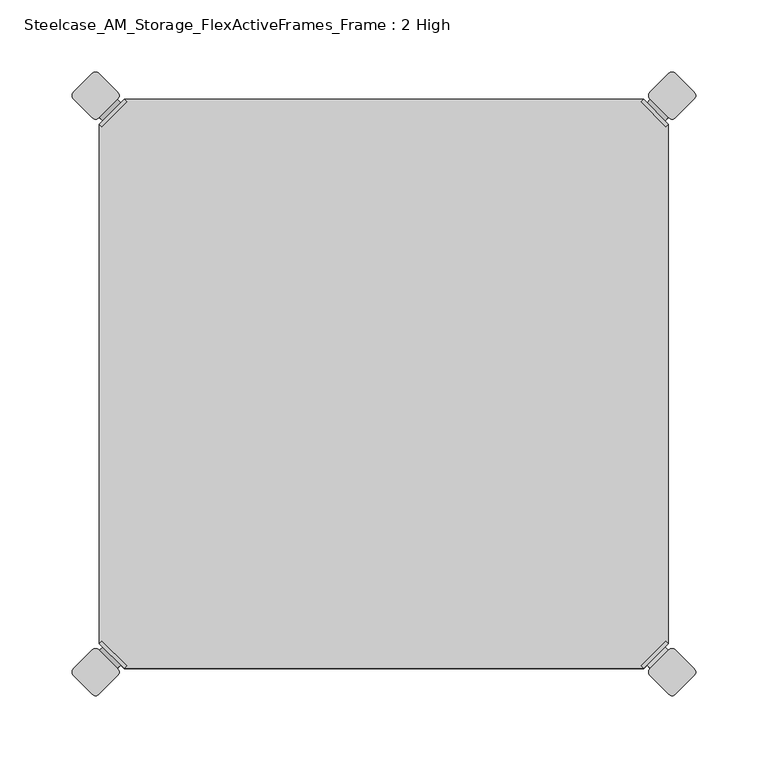
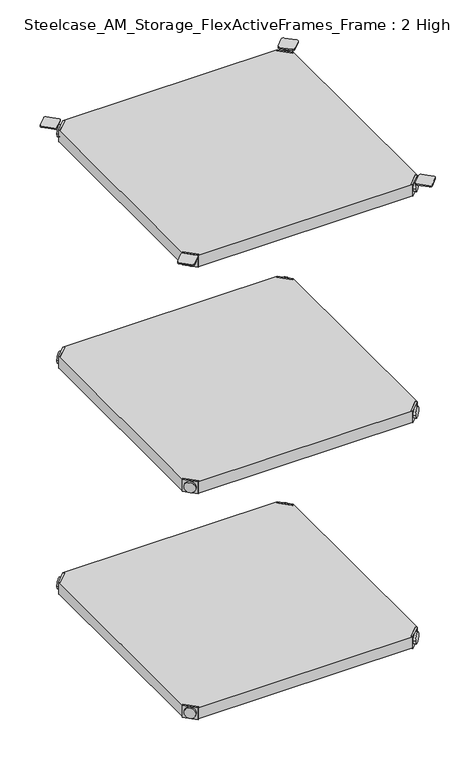
"""IFC4 building model written with IfcOpenShell, lengths in millimetres: furniture geometry, Steelcase_AM_Storage_FlexActiveFrames_Frame : 2 High."""

from ifc_helpers import new_model, si_unit, point, frame, frame_2d, origin, place, context, project, spatial, polyline, circle_curve, trimmed, segment, composite_curve, outline, extrude, source, transform, mapped, element, save
from ifc_brep_helpers import plane_surface, cylinder_surface, advanced_brep


def steelcase_am_storage_flexactiveframes_frame_2_high_570fc441(model_context):
    return source(origin(), model_context, "Body", "SolidModel", [
        advanced_brep(
        [(2.54, -380.2870969, 520.2936), (19.7629031, -397.51, 520.2936), (21.5589544, -395.7139488, 520.2936), (4.3360512, -378.4910456, 520.2936), (2.54, -380.2870969, 498.9576), (19.7629031, -397.51, 498.9576), (4.8652723, -382.6123691, 510.1336), (17.4376309, -395.1847277, 510.1336), (30.2920522, -352.5350447, 499.9736), (4.3360512, -378.4910456, 499.9736), (21.5589544, -395.7139488, 499.9736), (47.5149553, -369.7579478, 499.9736), (30.2920522, -352.5350447, 498.9576), (47.5149553, -369.7579478, 498.9576), (15.1227513, -397.4996073, 510.1336), (2.5503927, -384.9272487, 510.1336)],
        [
            (0, 1),
            (1, 2),
            (2, 3),
            (3, 0),
            (0, 4),
            (4, 5),
            (5, 1),
            (6, 7, circle_curve(frame((11.1514516, -388.8985484, 510.1336), z_axis=(0.7071067811865446, 0.7071067811865505, 0.0), x_axis=(-0.7071067811865505, 0.7071067811865446, 0.0)), 8.89)),
            (7, 6, circle_curve(frame((11.1514516, -388.8985484, 510.1336), z_axis=(0.7071067811865446, 0.7071067811865505, 0.0), x_axis=(-0.7071067811865505, 0.7071067811865446, 0.0)), 8.89)),
            (8, 9),
            (9, 10),
            (10, 11),
            (11, 8, circle_curve(frame((38.9035037, -361.1464963, 499.9736), z_axis=(0.0, 0.0, 1.0), x_axis=(1.0, 0.0, 0.0)), 12.1784316)),
            (12, 13, circle_curve(frame((38.9035037, -361.1464963, 498.9576), z_axis=(0.0, 0.0, -1.0), x_axis=(1.0, 0.0, 0.0)), 12.1784316)),
            (13, 5),
            (4, 12),
            (14, 15, circle_curve(frame((8.836572, -391.213428, 510.1336), z_axis=(-0.7071067811865446, -0.7071067811865505, 0.0), x_axis=(-0.7071067811865505, 0.7071067811865446, 0.0)), 8.89)),
            (15, 14, circle_curve(frame((8.836572, -391.213428, 510.1336), z_axis=(-0.7071067811865446, -0.7071067811865505, 0.0), x_axis=(-0.7071067811865505, 0.7071067811865446, 0.0)), 8.89)),
            (15, 6),
            (7, 14),
            (2, 10),
            (9, 3),
            (11, 13),
            (12, 8),
        ],
        [
            plane_surface(frame((-19.6579872, -402.485084, 520.2936), z_axis=(0.0, 0.0, 1.0000000000000002), x_axis=(0.7071067811865436, 0.7071067811865516, 0.0))),
            plane_surface(frame((19.7629031, -397.51, 520.2936), z_axis=(-0.7071067811865447, -0.7071067811865503, 0.0), x_axis=(0.0, 0.0, -1.0))),
            plane_surface(frame((51.0819353, -361.1464963, 499.9736), z_axis=(0.0, 0.0, 1.0), x_axis=(0.0, -1.0, 0.0))),
            plane_surface(frame((51.0819353, -361.1464963, 498.9576), z_axis=(0.0, 0.0, -1.0), x_axis=(0.0, 1.0, 0.0))),
            plane_surface(frame((2.5503927, -384.9272487, 510.1336), z_axis=(-0.7071067811865446, -0.7071067811865505, 0.0), x_axis=(0.0, 0.0, 1.0))),
            cylinder_surface(frame((11.1514516, -388.8985484, 510.1336), z_axis=(-0.7071067811865446, -0.7071067811865505, 0.0), x_axis=(-0.7071067811865505, 0.7071067811865446, 0.0)), 8.89),
            plane_surface(frame((4.3360512, -378.4910456, 520.2936), z_axis=(0.7071067811865447, 0.7071067811865503, 0.0), x_axis=(0.0, 0.0, -1.0))),
            cylinder_surface(frame((38.9035037, -361.1464963, 498.9576), z_axis=(0.0, 0.0, 1.0), x_axis=(1.0, 0.0, 0.0)), 12.1784316),
            plane_surface(frame((2.54, -380.2870969, 520.2936), z_axis=(-0.7071067811865516, 0.7071067811865436, 0.0), x_axis=(0.0, 0.0, -1.0))),
            plane_surface(frame((21.5589544, -395.7139488, 520.2936), z_axis=(0.7071067811865513, -0.7071067811865437, 0.0), x_axis=(0.0, 0.0, -1.0))),
        ],
        [
            (0, [[1, 2, 3, 4]]),
            (1, [[5, 6, 7, -1], [8, 9]]),
            (2, [[10, 11, 12, 13]]),
            (3, [[14, 15, -6, 16]]),
            (4, [[17, 18]]),
            (5, [[19, -9, 20, -18]]),
            (5, [[-20, -8, -19, -17]]),
            (6, [[21, -11, 22, -3]]),
            (7, [[23, -14, 24, -13]]),
            (8, [[-22, -10, -24, -16, -5, -4]]),
            (9, [[-7, -15, -23, -12, -21, -2]]),
        ],
    ),
        advanced_brep(
        [(397.51, -380.2870969, 520.2936), (395.7139488, -378.4910456, 520.2936), (378.4910456, -395.7139488, 520.2936), (380.2870969, -397.51, 520.2936), (380.2870969, -397.51, 498.9576), (397.51, -380.2870969, 498.9576), (395.1847277, -382.6123691, 510.1336), (382.6123691, -395.1847277, 510.1336), (369.7579478, -352.5350447, 499.9736), (352.5350447, -369.7579478, 499.9736), (378.4910456, -395.7139488, 499.9736), (395.7139488, -378.4910456, 499.9736), (369.7579478, -352.5350447, 498.9576), (352.5350447, -369.7579478, 498.9576), (384.9272487, -397.4996073, 510.1336), (397.4996073, -384.9272487, 510.1336)],
        [
            (0, 1),
            (1, 2),
            (2, 3),
            (3, 0),
            (3, 4),
            (4, 5),
            (5, 0),
            (6, 7, circle_curve(frame((388.8985484, -388.8985484, 510.1336), z_axis=(-0.7071067811865446, 0.7071067811865505, 0.0), x_axis=(0.7071067811865505, 0.7071067811865446, 0.0)), 8.89)),
            (7, 6, circle_curve(frame((388.8985484, -388.8985484, 510.1336), z_axis=(-0.7071067811865446, 0.7071067811865505, 0.0), x_axis=(0.7071067811865505, 0.7071067811865446, 0.0)), 8.89)),
            (8, 9, circle_curve(frame((361.1464963, -361.1464963, 499.9736), z_axis=(0.0, 0.0, 1.0), x_axis=(-1.0, 0.0, 0.0)), 12.1784316)),
            (9, 10),
            (10, 11),
            (11, 8),
            (12, 5),
            (4, 13),
            (13, 12, circle_curve(frame((361.1464963, -361.1464963, 498.9576), z_axis=(0.0, 0.0, -1.0), x_axis=(-1.0, 0.0, 0.0)), 12.1784316)),
            (14, 15, circle_curve(frame((391.213428, -391.213428, 510.1336), z_axis=(0.7071067811865446, -0.7071067811865505, 0.0), x_axis=(0.7071067811865505, 0.7071067811865446, 0.0)), 8.89)),
            (15, 14, circle_curve(frame((391.213428, -391.213428, 510.1336), z_axis=(0.7071067811865446, -0.7071067811865505, 0.0), x_axis=(0.7071067811865505, 0.7071067811865446, 0.0)), 8.89)),
            (14, 7),
            (6, 15),
            (1, 11),
            (10, 2),
            (8, 12),
            (13, 9),
        ],
        [
            plane_surface(frame((419.7079872, -402.485084, 520.2936), z_axis=(0.0, 0.0, 1.0000000000000002), x_axis=(-0.7071067811865436, 0.7071067811865516, 0.0))),
            plane_surface(frame((380.2870969, -397.51, 520.2936), z_axis=(0.7071067811865447, -0.7071067811865503, 0.0), x_axis=(0.0, 0.0, -1.0))),
            plane_surface(frame((348.9680647, -361.1464963, 499.9736), z_axis=(0.0, 0.0, 1.0), x_axis=(0.0, -1.0, 0.0))),
            plane_surface(frame((348.9680647, -361.1464963, 498.9576), z_axis=(0.0, 0.0, -1.0), x_axis=(0.0, 1.0, 0.0))),
            plane_surface(frame((397.4996073, -384.9272487, 510.1336), z_axis=(0.7071067811865446, -0.7071067811865505, 0.0), x_axis=(0.0, 0.0, 1.0))),
            cylinder_surface(frame((388.8985484, -388.8985484, 510.1336), z_axis=(0.7071067811865446, -0.7071067811865505, 0.0), x_axis=(0.7071067811865505, 0.7071067811865446, 0.0)), 8.89),
            plane_surface(frame((395.7139488, -378.4910456, 520.2936), z_axis=(-0.7071067811865447, 0.7071067811865503, 0.0), x_axis=(0.0, 0.0, -1.0))),
            cylinder_surface(frame((361.1464963, -361.1464963, 498.9576), z_axis=(0.0, 0.0, 1.0), x_axis=(-1.0, 0.0, 0.0)), 12.1784316),
            plane_surface(frame((397.51, -380.2870969, 520.2936), z_axis=(0.7071067811865516, 0.7071067811865436, 0.0), x_axis=(0.0, 0.0, -1.0))),
            plane_surface(frame((378.4910456, -395.7139488, 520.2936), z_axis=(-0.7071067811865513, -0.7071067811865437, 0.0), x_axis=(0.0, 0.0, -1.0))),
        ],
        [
            (0, [[1, 2, 3, 4]]),
            (1, [[-4, 5, 6, 7], [8, 9]]),
            (2, [[10, 11, 12, 13]]),
            (3, [[14, -6, 15, 16]]),
            (4, [[17, 18]]),
            (5, [[-17, 19, -8, 20]]),
            (5, [[-18, -20, -9, -19]]),
            (6, [[-2, 21, -12, 22]]),
            (7, [[-10, 23, -16, 24]]),
            (8, [[-1, -7, -14, -23, -13, -21]]),
            (9, [[-3, -22, -11, -24, -15, -5]]),
        ],
    ),
        advanced_brep(
        [(397.51, -19.7629031, 520.2936), (380.2870969, -2.54, 520.2936), (378.4910456, -4.3360512, 520.2936), (395.7139488, -21.5589544, 520.2936), (397.51, -19.7629031, 498.9576), (380.2870969, -2.54, 498.9576), (395.1847277, -17.4376309, 510.1336), (382.6123691, -4.8652723, 510.1336), (369.7579478, -47.5149553, 499.9736), (395.7139488, -21.5589544, 499.9736), (378.4910456, -4.3360512, 499.9736), (352.5350447, -30.2920522, 499.9736), (369.7579478, -47.5149553, 498.9576), (352.5350447, -30.2920522, 498.9576), (384.9272487, -2.5503927, 510.1336), (397.4996073, -15.1227513, 510.1336)],
        [
            (0, 1),
            (1, 2),
            (2, 3),
            (3, 0),
            (0, 4),
            (4, 5),
            (5, 1),
            (6, 7, circle_curve(frame((388.8985484, -11.1514516, 510.1336), z_axis=(-0.7071067811865469, -0.7071067811865481, 0.0), x_axis=(0.7071067811865481, -0.7071067811865469, 0.0)), 8.89)),
            (7, 6, circle_curve(frame((388.8985484, -11.1514516, 510.1336), z_axis=(-0.7071067811865469, -0.7071067811865481, 0.0), x_axis=(0.7071067811865481, -0.7071067811865469, 0.0)), 8.89)),
            (8, 9),
            (9, 10),
            (10, 11),
            (11, 8, circle_curve(frame((361.1464963, -38.9035037, 499.9736), z_axis=(0.0, 0.0, 1.0), x_axis=(-1.0, 0.0, 0.0)), 12.1784316)),
            (12, 13, circle_curve(frame((361.1464963, -38.9035037, 498.9576), z_axis=(0.0, 0.0, -1.0), x_axis=(-1.0, 0.0, 0.0)), 12.1784316)),
            (13, 5),
            (4, 12),
            (14, 15, circle_curve(frame((391.213428, -8.836572, 510.1336), z_axis=(0.7071067811865469, 0.7071067811865481, 0.0), x_axis=(0.7071067811865481, -0.7071067811865469, 0.0)), 8.89)),
            (15, 14, circle_curve(frame((391.213428, -8.836572, 510.1336), z_axis=(0.7071067811865469, 0.7071067811865481, 0.0), x_axis=(0.7071067811865481, -0.7071067811865469, 0.0)), 8.89)),
            (15, 6),
            (7, 14),
            (2, 10),
            (9, 3),
            (11, 13),
            (12, 8),
        ],
        [
            plane_surface(frame((419.7079872, 2.435084, 520.2936), z_axis=(0.0, 0.0, 1.0000000000000002), x_axis=(-0.7071067811865459, -0.7071067811865492, 0.0))),
            plane_surface(frame((380.2870969, -2.54, 520.2936), z_axis=(0.707106781186547, 0.707106781186548, 0.0), x_axis=(0.0, 0.0, -1.0))),
            plane_surface(frame((348.9680647, -38.9035037, 499.9736), z_axis=(0.0, 0.0, 1.0), x_axis=(0.0, 1.0, 0.0))),
            plane_surface(frame((348.9680647, -38.9035037, 498.9576), z_axis=(0.0, 0.0, -1.0), x_axis=(0.0, -1.0, 0.0))),
            plane_surface(frame((397.4996073, -15.1227513, 510.1336), z_axis=(0.7071067811865469, 0.7071067811865481, 0.0), x_axis=(0.0, 0.0, 1.0))),
            cylinder_surface(frame((388.8985484, -11.1514516, 510.1336), z_axis=(0.7071067811865469, 0.7071067811865481, 0.0), x_axis=(0.7071067811865481, -0.7071067811865469, 0.0)), 8.89),
            plane_surface(frame((395.7139488, -21.5589544, 520.2936), z_axis=(-0.707106781186547, -0.707106781186548, 0.0), x_axis=(0.0, 0.0, -1.0))),
            cylinder_surface(frame((361.1464963, -38.9035037, 498.9576), z_axis=(0.0, 0.0, 1.0), x_axis=(-1.0, 0.0, 0.0)), 12.1784316),
            plane_surface(frame((397.51, -19.7629031, 520.2936), z_axis=(0.7071067811865492, -0.7071067811865459, 0.0), x_axis=(0.0, 0.0, -1.0))),
            plane_surface(frame((378.4910456, -4.3360512, 520.2936), z_axis=(-0.707106781186549, 0.707106781186546, 0.0), x_axis=(0.0, 0.0, -1.0))),
        ],
        [
            (0, [[1, 2, 3, 4]]),
            (1, [[5, 6, 7, -1], [8, 9]]),
            (2, [[10, 11, 12, 13]]),
            (3, [[14, 15, -6, 16]]),
            (4, [[17, 18]]),
            (5, [[19, -9, 20, -18]]),
            (5, [[-20, -8, -19, -17]]),
            (6, [[21, -11, 22, -3]]),
            (7, [[23, -14, 24, -13]]),
            (8, [[-22, -10, -24, -16, -5, -4]]),
            (9, [[-7, -15, -23, -12, -21, -2]]),
        ],
    ),
        advanced_brep(
        [(2.54, -19.7629031, 520.2936), (4.3360512, -21.5589544, 520.2936), (21.5589544, -4.3360512, 520.2936), (19.7629031, -2.54, 520.2936), (19.7629031, -2.54, 498.9576), (2.54, -19.7629031, 498.9576), (4.8652723, -17.4376309, 510.1336), (17.4376309, -4.8652723, 510.1336), (30.2920522, -47.5149553, 499.9736), (47.5149553, -30.2920522, 499.9736), (21.5589544, -4.3360512, 499.9736), (4.3360512, -21.5589544, 499.9736), (30.2920522, -47.5149553, 498.9576), (47.5149553, -30.2920522, 498.9576), (15.1227513, -2.5503927, 510.1336), (2.5503927, -15.1227513, 510.1336)],
        [
            (0, 1),
            (1, 2),
            (2, 3),
            (3, 0),
            (3, 4),
            (4, 5),
            (5, 0),
            (6, 7, circle_curve(frame((11.1514516, -11.1514516, 510.1336), z_axis=(0.7071067811865469, -0.7071067811865481, 0.0), x_axis=(-0.7071067811865481, -0.7071067811865469, 0.0)), 8.89)),
            (7, 6, circle_curve(frame((11.1514516, -11.1514516, 510.1336), z_axis=(0.7071067811865469, -0.7071067811865481, 0.0), x_axis=(-0.7071067811865481, -0.7071067811865469, 0.0)), 8.89)),
            (8, 9, circle_curve(frame((38.9035037, -38.9035037, 499.9736), z_axis=(0.0, 0.0, 1.0), x_axis=(1.0, 0.0, 0.0)), 12.1784316)),
            (9, 10),
            (10, 11),
            (11, 8),
            (12, 5),
            (4, 13),
            (13, 12, circle_curve(frame((38.9035037, -38.9035037, 498.9576), z_axis=(0.0, 0.0, -1.0), x_axis=(1.0, 0.0, 0.0)), 12.1784316)),
            (14, 15, circle_curve(frame((8.836572, -8.836572, 510.1336), z_axis=(-0.7071067811865469, 0.7071067811865481, 0.0), x_axis=(-0.7071067811865481, -0.7071067811865469, 0.0)), 8.89)),
            (15, 14, circle_curve(frame((8.836572, -8.836572, 510.1336), z_axis=(-0.7071067811865469, 0.7071067811865481, 0.0), x_axis=(-0.7071067811865481, -0.7071067811865469, 0.0)), 8.89)),
            (14, 7),
            (6, 15),
            (1, 11),
            (10, 2),
            (8, 12),
            (13, 9),
        ],
        [
            plane_surface(frame((-19.6579872, 2.435084, 520.2936), z_axis=(0.0, 0.0, 1.0000000000000002), x_axis=(0.7071067811865459, -0.7071067811865492, 0.0))),
            plane_surface(frame((19.7629031, -2.54, 520.2936), z_axis=(-0.707106781186547, 0.707106781186548, 0.0), x_axis=(0.0, 0.0, -1.0))),
            plane_surface(frame((51.0819353, -38.9035037, 499.9736), z_axis=(0.0, 0.0, 1.0), x_axis=(0.0, 1.0, 0.0))),
            plane_surface(frame((51.0819353, -38.9035037, 498.9576), z_axis=(0.0, 0.0, -1.0), x_axis=(0.0, -1.0, 0.0))),
            plane_surface(frame((2.5503927, -15.1227513, 510.1336), z_axis=(-0.7071067811865469, 0.7071067811865481, 0.0), x_axis=(0.0, 0.0, 1.0))),
            cylinder_surface(frame((11.1514516, -11.1514516, 510.1336), z_axis=(-0.7071067811865469, 0.7071067811865481, 0.0), x_axis=(-0.7071067811865481, -0.7071067811865469, 0.0)), 8.89),
            plane_surface(frame((4.3360512, -21.5589544, 520.2936), z_axis=(0.707106781186547, -0.707106781186548, 0.0), x_axis=(0.0, 0.0, -1.0))),
            cylinder_surface(frame((38.9035037, -38.9035037, 498.9576), z_axis=(0.0, 0.0, 1.0), x_axis=(1.0, 0.0, 0.0)), 12.1784316),
            plane_surface(frame((2.54, -19.7629031, 520.2936), z_axis=(-0.7071067811865492, -0.7071067811865459, 0.0), x_axis=(0.0, 0.0, -1.0))),
            plane_surface(frame((21.5589544, -4.3360512, 520.2936), z_axis=(0.707106781186549, 0.707106781186546, 0.0), x_axis=(0.0, 0.0, -1.0))),
        ],
        [
            (0, [[1, 2, 3, 4]]),
            (1, [[-4, 5, 6, 7], [8, 9]]),
            (2, [[10, 11, 12, 13]]),
            (3, [[14, -6, 15, 16]]),
            (4, [[17, 18]]),
            (5, [[-17, 19, -8, 20]]),
            (5, [[-18, -20, -9, -19]]),
            (6, [[-2, 21, -12, 22]]),
            (7, [[-10, 23, -16, 24]]),
            (8, [[-1, -7, -14, -23, -13, -21]]),
            (9, [[-3, -22, -11, -24, -15, -5]]),
        ],
    ),
        extrude(outline(polyline([(19.7629031, -2.54), (380.2870969, -2.54), (378.4910456, -4.3360512), (395.7139488, -21.5589544), (397.51, -19.7629031), (397.51, -380.2870969), (395.7139488, -378.4910456), (378.4910456, -395.7139488), (380.2870969, -397.51), (19.7629031, -397.51), (21.5589544, -395.7139488), (4.3360512, -378.4910456), (2.54, -380.2870969), (2.54, -19.7629031), (4.3360512, -21.5589544), (21.5589544, -4.3360512), (19.7629031, -2.54)])), frame((0.0, 0.0, 499.9736), z_axis=(0.0, 0.0, 1.0), x_axis=(1.0, 0.0, 0.0)), (0.0, 0.0, 1.0), 20.32),
        advanced_brep(
        [(2.54, -380.2870969, 923.29), (19.7629031, -397.51, 923.29), (21.5589544, -395.7139488, 923.29), (4.3360512, -378.4910456, 923.29), (2.54, -380.2870969, 901.954), (19.7629031, -397.51, 901.954), (4.8652723, -382.6123691, 913.13), (17.4376309, -395.1847277, 913.13), (30.2920522, -352.5350447, 902.97), (4.3360512, -378.4910456, 902.97), (21.5589544, -395.7139488, 902.97), (47.5149553, -369.7579478, 902.97), (30.2920522, -352.5350447, 901.954), (47.5149553, -369.7579478, 901.954), (15.1227513, -397.4996073, 913.13), (2.5503927, -384.9272487, 913.13)],
        [
            (0, 1),
            (1, 2),
            (2, 3),
            (3, 0),
            (0, 4),
            (4, 5),
            (5, 1),
            (6, 7, circle_curve(frame((11.1514516, -388.8985484, 913.13), z_axis=(0.7071067811865446, 0.7071067811865505, 0.0), x_axis=(-0.7071067811865505, 0.7071067811865446, 0.0)), 8.89)),
            (7, 6, circle_curve(frame((11.1514516, -388.8985484, 913.13), z_axis=(0.7071067811865446, 0.7071067811865505, 0.0), x_axis=(-0.7071067811865505, 0.7071067811865446, 0.0)), 8.89)),
            (8, 9),
            (9, 10),
            (10, 11),
            (11, 8, circle_curve(frame((38.9035037, -361.1464963, 902.97), z_axis=(0.0, 0.0, 1.0), x_axis=(1.0, 0.0, 0.0)), 12.1784316)),
            (12, 13, circle_curve(frame((38.9035037, -361.1464963, 901.954), z_axis=(0.0, 0.0, -1.0), x_axis=(1.0, 0.0, 0.0)), 12.1784316)),
            (13, 5),
            (4, 12),
            (14, 15, circle_curve(frame((8.836572, -391.213428, 913.13), z_axis=(-0.7071067811865446, -0.7071067811865505, 0.0), x_axis=(-0.7071067811865505, 0.7071067811865446, 0.0)), 8.89)),
            (15, 14, circle_curve(frame((8.836572, -391.213428, 913.13), z_axis=(-0.7071067811865446, -0.7071067811865505, 0.0), x_axis=(-0.7071067811865505, 0.7071067811865446, 0.0)), 8.89)),
            (15, 6),
            (7, 14),
            (2, 10),
            (9, 3),
            (11, 13),
            (12, 8),
        ],
        [
            plane_surface(frame((-19.6579872, -402.485084, 923.29), z_axis=(0.0, 0.0, 1.0000000000000002), x_axis=(0.7071067811865436, 0.7071067811865516, 0.0))),
            plane_surface(frame((19.7629031, -397.51, 923.29), z_axis=(-0.7071067811865447, -0.7071067811865503, 0.0), x_axis=(0.0, 0.0, -1.0))),
            plane_surface(frame((51.0819353, -361.1464963, 902.97), z_axis=(0.0, 0.0, 1.0), x_axis=(0.0, -1.0, 0.0))),
            plane_surface(frame((51.0819353, -361.1464963, 901.954), z_axis=(0.0, 0.0, -1.0), x_axis=(0.0, 1.0, 0.0))),
            plane_surface(frame((2.5503927, -384.9272487, 913.13), z_axis=(-0.7071067811865446, -0.7071067811865505, 0.0), x_axis=(0.0, 0.0, 1.0))),
            cylinder_surface(frame((11.1514516, -388.8985484, 913.13), z_axis=(-0.7071067811865446, -0.7071067811865505, 0.0), x_axis=(-0.7071067811865505, 0.7071067811865446, 0.0)), 8.89),
            plane_surface(frame((4.3360512, -378.4910456, 923.29), z_axis=(0.7071067811865447, 0.7071067811865503, 0.0), x_axis=(0.0, 0.0, -1.0))),
            cylinder_surface(frame((38.9035037, -361.1464963, 901.954), z_axis=(0.0, 0.0, 1.0), x_axis=(1.0, 0.0, 0.0)), 12.1784316),
            plane_surface(frame((2.54, -380.2870969, 923.29), z_axis=(-0.7071067811865516, 0.7071067811865436, 0.0), x_axis=(0.0, 0.0, -1.0))),
            plane_surface(frame((21.5589544, -395.7139488, 923.29), z_axis=(0.7071067811865513, -0.7071067811865437, 0.0), x_axis=(0.0, 0.0, -1.0))),
        ],
        [
            (0, [[1, 2, 3, 4]]),
            (1, [[5, 6, 7, -1], [8, 9]]),
            (2, [[10, 11, 12, 13]]),
            (3, [[14, 15, -6, 16]]),
            (4, [[17, 18]]),
            (5, [[19, -9, 20, -18]]),
            (5, [[-20, -8, -19, -17]]),
            (6, [[21, -11, 22, -3]]),
            (7, [[23, -14, 24, -13]]),
            (8, [[-22, -10, -24, -16, -5, -4]]),
            (9, [[-7, -15, -23, -12, -21, -2]]),
        ],
    ),
        advanced_brep(
        [(397.51, -380.2870969, 923.29), (395.7139488, -378.4910456, 923.29), (378.4910456, -395.7139488, 923.29), (380.2870969, -397.51, 923.29), (380.2870969, -397.51, 901.954), (397.51, -380.2870969, 901.954), (395.1847277, -382.6123691, 913.13), (382.6123691, -395.1847277, 913.13), (369.7579478, -352.5350447, 902.97), (352.5350447, -369.7579478, 902.97), (378.4910456, -395.7139488, 902.97), (395.7139488, -378.4910456, 902.97), (369.7579478, -352.5350447, 901.954), (352.5350447, -369.7579478, 901.954), (384.9272487, -397.4996073, 913.13), (397.4996073, -384.9272487, 913.13)],
        [
            (0, 1),
            (1, 2),
            (2, 3),
            (3, 0),
            (3, 4),
            (4, 5),
            (5, 0),
            (6, 7, circle_curve(frame((388.8985484, -388.8985484, 913.13), z_axis=(-0.7071067811865446, 0.7071067811865505, 0.0), x_axis=(0.7071067811865505, 0.7071067811865446, 0.0)), 8.89)),
            (7, 6, circle_curve(frame((388.8985484, -388.8985484, 913.13), z_axis=(-0.7071067811865446, 0.7071067811865505, 0.0), x_axis=(0.7071067811865505, 0.7071067811865446, 0.0)), 8.89)),
            (8, 9, circle_curve(frame((361.1464963, -361.1464963, 902.97), z_axis=(0.0, 0.0, 1.0), x_axis=(-1.0, 0.0, 0.0)), 12.1784316)),
            (9, 10),
            (10, 11),
            (11, 8),
            (12, 5),
            (4, 13),
            (13, 12, circle_curve(frame((361.1464963, -361.1464963, 901.954), z_axis=(0.0, 0.0, -1.0), x_axis=(-1.0, 0.0, 0.0)), 12.1784316)),
            (14, 15, circle_curve(frame((391.213428, -391.213428, 913.13), z_axis=(0.7071067811865446, -0.7071067811865505, 0.0), x_axis=(0.7071067811865505, 0.7071067811865446, 0.0)), 8.89)),
            (15, 14, circle_curve(frame((391.213428, -391.213428, 913.13), z_axis=(0.7071067811865446, -0.7071067811865505, 0.0), x_axis=(0.7071067811865505, 0.7071067811865446, 0.0)), 8.89)),
            (14, 7),
            (6, 15),
            (1, 11),
            (10, 2),
            (8, 12),
            (13, 9),
        ],
        [
            plane_surface(frame((419.7079872, -402.485084, 923.29), z_axis=(0.0, 0.0, 1.0000000000000002), x_axis=(-0.7071067811865436, 0.7071067811865516, 0.0))),
            plane_surface(frame((380.2870969, -397.51, 923.29), z_axis=(0.7071067811865447, -0.7071067811865503, 0.0), x_axis=(0.0, 0.0, -1.0))),
            plane_surface(frame((348.9680647, -361.1464963, 902.97), z_axis=(0.0, 0.0, 1.0), x_axis=(0.0, -1.0, 0.0))),
            plane_surface(frame((348.9680647, -361.1464963, 901.954), z_axis=(0.0, 0.0, -1.0), x_axis=(0.0, 1.0, 0.0))),
            plane_surface(frame((397.4996073, -384.9272487, 913.13), z_axis=(0.7071067811865446, -0.7071067811865505, 0.0), x_axis=(0.0, 0.0, 1.0))),
            cylinder_surface(frame((388.8985484, -388.8985484, 913.13), z_axis=(0.7071067811865446, -0.7071067811865505, 0.0), x_axis=(0.7071067811865505, 0.7071067811865446, 0.0)), 8.89),
            plane_surface(frame((395.7139488, -378.4910456, 923.29), z_axis=(-0.7071067811865447, 0.7071067811865503, 0.0), x_axis=(0.0, 0.0, -1.0))),
            cylinder_surface(frame((361.1464963, -361.1464963, 901.954), z_axis=(0.0, 0.0, 1.0), x_axis=(-1.0, 0.0, 0.0)), 12.1784316),
            plane_surface(frame((397.51, -380.2870969, 923.29), z_axis=(0.7071067811865516, 0.7071067811865436, 0.0), x_axis=(0.0, 0.0, -1.0))),
            plane_surface(frame((378.4910456, -395.7139488, 923.29), z_axis=(-0.7071067811865513, -0.7071067811865437, 0.0), x_axis=(0.0, 0.0, -1.0))),
        ],
        [
            (0, [[1, 2, 3, 4]]),
            (1, [[-4, 5, 6, 7], [8, 9]]),
            (2, [[10, 11, 12, 13]]),
            (3, [[14, -6, 15, 16]]),
            (4, [[17, 18]]),
            (5, [[-17, 19, -8, 20]]),
            (5, [[-18, -20, -9, -19]]),
            (6, [[-2, 21, -12, 22]]),
            (7, [[-10, 23, -16, 24]]),
            (8, [[-1, -7, -14, -23, -13, -21]]),
            (9, [[-3, -22, -11, -24, -15, -5]]),
        ],
    ),
        advanced_brep(
        [(397.51, -19.7629031, 923.29), (380.2870969, -2.54, 923.29), (378.4910456, -4.3360512, 923.29), (395.7139488, -21.5589544, 923.29), (397.51, -19.7629031, 901.954), (380.2870969, -2.54, 901.954), (395.1847277, -17.4376309, 913.13), (382.6123691, -4.8652723, 913.13), (369.7579478, -47.5149553, 902.97), (395.7139488, -21.5589544, 902.97), (378.4910456, -4.3360512, 902.97), (352.5350447, -30.2920522, 902.97), (369.7579478, -47.5149553, 901.954), (352.5350447, -30.2920522, 901.954), (384.9272487, -2.5503927, 913.13), (397.4996073, -15.1227513, 913.13)],
        [
            (0, 1),
            (1, 2),
            (2, 3),
            (3, 0),
            (0, 4),
            (4, 5),
            (5, 1),
            (6, 7, circle_curve(frame((388.8985484, -11.1514516, 913.13), z_axis=(-0.7071067811865469, -0.7071067811865481, 0.0), x_axis=(0.7071067811865481, -0.7071067811865469, 0.0)), 8.89)),
            (7, 6, circle_curve(frame((388.8985484, -11.1514516, 913.13), z_axis=(-0.7071067811865469, -0.7071067811865481, 0.0), x_axis=(0.7071067811865481, -0.7071067811865469, 0.0)), 8.89)),
            (8, 9),
            (9, 10),
            (10, 11),
            (11, 8, circle_curve(frame((361.1464963, -38.9035037, 902.97), z_axis=(0.0, 0.0, 1.0), x_axis=(-1.0, 0.0, 0.0)), 12.1784316)),
            (12, 13, circle_curve(frame((361.1464963, -38.9035037, 901.954), z_axis=(0.0, 0.0, -1.0), x_axis=(-1.0, 0.0, 0.0)), 12.1784316)),
            (13, 5),
            (4, 12),
            (14, 15, circle_curve(frame((391.213428, -8.836572, 913.13), z_axis=(0.7071067811865469, 0.7071067811865481, 0.0), x_axis=(0.7071067811865481, -0.7071067811865469, 0.0)), 8.89)),
            (15, 14, circle_curve(frame((391.213428, -8.836572, 913.13), z_axis=(0.7071067811865469, 0.7071067811865481, 0.0), x_axis=(0.7071067811865481, -0.7071067811865469, 0.0)), 8.89)),
            (15, 6),
            (7, 14),
            (2, 10),
            (9, 3),
            (11, 13),
            (12, 8),
        ],
        [
            plane_surface(frame((419.7079872, 2.435084, 923.29), z_axis=(0.0, 0.0, 1.0000000000000002), x_axis=(-0.7071067811865459, -0.7071067811865492, 0.0))),
            plane_surface(frame((380.2870969, -2.54, 923.29), z_axis=(0.707106781186547, 0.707106781186548, 0.0), x_axis=(0.0, 0.0, -1.0))),
            plane_surface(frame((348.9680647, -38.9035037, 902.97), z_axis=(0.0, 0.0, 1.0), x_axis=(0.0, 1.0, 0.0))),
            plane_surface(frame((348.9680647, -38.9035037, 901.954), z_axis=(0.0, 0.0, -1.0), x_axis=(0.0, -1.0, 0.0))),
            plane_surface(frame((397.4996073, -15.1227513, 913.13), z_axis=(0.7071067811865469, 0.7071067811865481, 0.0), x_axis=(0.0, 0.0, 1.0))),
            cylinder_surface(frame((388.8985484, -11.1514516, 913.13), z_axis=(0.7071067811865469, 0.7071067811865481, 0.0), x_axis=(0.7071067811865481, -0.7071067811865469, 0.0)), 8.89),
            plane_surface(frame((395.7139488, -21.5589544, 923.29), z_axis=(-0.707106781186547, -0.707106781186548, 0.0), x_axis=(0.0, 0.0, -1.0))),
            cylinder_surface(frame((361.1464963, -38.9035037, 901.954), z_axis=(0.0, 0.0, 1.0), x_axis=(-1.0, 0.0, 0.0)), 12.1784316),
            plane_surface(frame((397.51, -19.7629031, 923.29), z_axis=(0.7071067811865492, -0.7071067811865459, 0.0), x_axis=(0.0, 0.0, -1.0))),
            plane_surface(frame((378.4910456, -4.3360512, 923.29), z_axis=(-0.707106781186549, 0.707106781186546, 0.0), x_axis=(0.0, 0.0, -1.0))),
        ],
        [
            (0, [[1, 2, 3, 4]]),
            (1, [[5, 6, 7, -1], [8, 9]]),
            (2, [[10, 11, 12, 13]]),
            (3, [[14, 15, -6, 16]]),
            (4, [[17, 18]]),
            (5, [[19, -9, 20, -18]]),
            (5, [[-20, -8, -19, -17]]),
            (6, [[21, -11, 22, -3]]),
            (7, [[23, -14, 24, -13]]),
            (8, [[-22, -10, -24, -16, -5, -4]]),
            (9, [[-7, -15, -23, -12, -21, -2]]),
        ],
    ),
        advanced_brep(
        [(2.54, -19.7629031, 923.29), (4.3360512, -21.5589544, 923.29), (21.5589544, -4.3360512, 923.29), (19.7629031, -2.54, 923.29), (19.7629031, -2.54, 901.954), (2.54, -19.7629031, 901.954), (4.8652723, -17.4376309, 913.13), (17.4376309, -4.8652723, 913.13), (30.2920522, -47.5149553, 902.97), (47.5149553, -30.2920522, 902.97), (21.5589544, -4.3360512, 902.97), (4.3360512, -21.5589544, 902.97), (30.2920522, -47.5149553, 901.954), (47.5149553, -30.2920522, 901.954), (15.1227513, -2.5503927, 913.13), (2.5503927, -15.1227513, 913.13)],
        [
            (0, 1),
            (1, 2),
            (2, 3),
            (3, 0),
            (3, 4),
            (4, 5),
            (5, 0),
            (6, 7, circle_curve(frame((11.1514516, -11.1514516, 913.13), z_axis=(0.7071067811865469, -0.7071067811865481, 0.0), x_axis=(-0.7071067811865481, -0.7071067811865469, 0.0)), 8.89)),
            (7, 6, circle_curve(frame((11.1514516, -11.1514516, 913.13), z_axis=(0.7071067811865469, -0.7071067811865481, 0.0), x_axis=(-0.7071067811865481, -0.7071067811865469, 0.0)), 8.89)),
            (8, 9, circle_curve(frame((38.9035037, -38.9035037, 902.97), z_axis=(0.0, 0.0, 1.0), x_axis=(1.0, 0.0, 0.0)), 12.1784316)),
            (9, 10),
            (10, 11),
            (11, 8),
            (12, 5),
            (4, 13),
            (13, 12, circle_curve(frame((38.9035037, -38.9035037, 901.954), z_axis=(0.0, 0.0, -1.0), x_axis=(1.0, 0.0, 0.0)), 12.1784316)),
            (14, 15, circle_curve(frame((8.836572, -8.836572, 913.13), z_axis=(-0.7071067811865469, 0.7071067811865481, 0.0), x_axis=(-0.7071067811865481, -0.7071067811865469, 0.0)), 8.89)),
            (15, 14, circle_curve(frame((8.836572, -8.836572, 913.13), z_axis=(-0.7071067811865469, 0.7071067811865481, 0.0), x_axis=(-0.7071067811865481, -0.7071067811865469, 0.0)), 8.89)),
            (14, 7),
            (6, 15),
            (1, 11),
            (10, 2),
            (8, 12),
            (13, 9),
        ],
        [
            plane_surface(frame((-19.6579872, 2.435084, 923.29), z_axis=(0.0, 0.0, 1.0000000000000002), x_axis=(0.7071067811865459, -0.7071067811865492, 0.0))),
            plane_surface(frame((19.7629031, -2.54, 923.29), z_axis=(-0.707106781186547, 0.707106781186548, 0.0), x_axis=(0.0, 0.0, -1.0))),
            plane_surface(frame((51.0819353, -38.9035037, 902.97), z_axis=(0.0, 0.0, 1.0), x_axis=(0.0, 1.0, 0.0))),
            plane_surface(frame((51.0819353, -38.9035037, 901.954), z_axis=(0.0, 0.0, -1.0), x_axis=(0.0, -1.0, 0.0))),
            plane_surface(frame((2.5503927, -15.1227513, 913.13), z_axis=(-0.7071067811865469, 0.7071067811865481, 0.0), x_axis=(0.0, 0.0, 1.0))),
            cylinder_surface(frame((11.1514516, -11.1514516, 913.13), z_axis=(-0.7071067811865469, 0.7071067811865481, 0.0), x_axis=(-0.7071067811865481, -0.7071067811865469, 0.0)), 8.89),
            plane_surface(frame((4.3360512, -21.5589544, 923.29), z_axis=(0.707106781186547, -0.707106781186548, 0.0), x_axis=(0.0, 0.0, -1.0))),
            cylinder_surface(frame((38.9035037, -38.9035037, 901.954), z_axis=(0.0, 0.0, 1.0), x_axis=(1.0, 0.0, 0.0)), 12.1784316),
            plane_surface(frame((2.54, -19.7629031, 923.29), z_axis=(-0.7071067811865492, -0.7071067811865459, 0.0), x_axis=(0.0, 0.0, -1.0))),
            plane_surface(frame((21.5589544, -4.3360512, 923.29), z_axis=(0.707106781186549, 0.707106781186546, 0.0), x_axis=(0.0, 0.0, -1.0))),
        ],
        [
            (0, [[1, 2, 3, 4]]),
            (1, [[-4, 5, 6, 7], [8, 9]]),
            (2, [[10, 11, 12, 13]]),
            (3, [[14, -6, 15, 16]]),
            (4, [[17, 18]]),
            (5, [[-17, 19, -8, 20]]),
            (5, [[-18, -20, -9, -19]]),
            (6, [[-2, 21, -12, 22]]),
            (7, [[-10, 23, -16, 24]]),
            (8, [[-1, -7, -14, -23, -13, -21]]),
            (9, [[-3, -22, -11, -24, -15, -5]]),
        ],
    ),
        extrude(outline(polyline([(19.7629031, -2.54), (380.2870969, -2.54), (378.4910456, -4.3360512), (395.7139488, -21.5589544), (397.51, -19.7629031), (397.51, -380.2870969), (395.7139488, -378.4910456), (378.4910456, -395.7139488), (380.2870969, -397.51), (19.7629031, -397.51), (21.5589544, -395.7139488), (4.3360512, -378.4910456), (2.54, -380.2870969), (2.54, -19.7629031), (4.3360512, -21.5589544), (21.5589544, -4.3360512), (19.7629031, -2.54)])), frame((0.0, 0.0, 902.97), z_axis=(0.0, 0.0, 1.0), x_axis=(1.0, 0.0, 0.0)), (0.0, 0.0, 1.0), 20.32),
        advanced_brep(
        [(2.54, -380.2870969, 118.9736), (19.7629031, -397.51, 118.9736), (21.5589544, -395.7139488, 118.9736), (4.3360512, -378.4910456, 118.9736), (2.54, -380.2870969, 97.6376), (19.7629031, -397.51, 97.6376), (4.8652723, -382.6123691, 108.8136), (17.4376309, -395.1847277, 108.8136), (30.2920522, -352.5350447, 98.6536), (4.3360512, -378.4910456, 98.6536), (21.5589544, -395.7139488, 98.6536), (47.5149553, -369.7579478, 98.6536), (30.2920522, -352.5350447, 97.6376), (47.5149553, -369.7579478, 97.6376), (15.1227513, -397.4996073, 108.8136), (2.5503927, -384.9272487, 108.8136)],
        [
            (0, 1),
            (1, 2),
            (2, 3),
            (3, 0),
            (0, 4),
            (4, 5),
            (5, 1),
            (6, 7, circle_curve(frame((11.1514516, -388.8985484, 108.8136), z_axis=(0.7071067811865446, 0.7071067811865505, 0.0), x_axis=(-0.7071067811865505, 0.7071067811865446, 0.0)), 8.89)),
            (7, 6, circle_curve(frame((11.1514516, -388.8985484, 108.8136), z_axis=(0.7071067811865446, 0.7071067811865505, 0.0), x_axis=(-0.7071067811865505, 0.7071067811865446, 0.0)), 8.89)),
            (8, 9),
            (9, 10),
            (10, 11),
            (11, 8, circle_curve(frame((38.9035037, -361.1464963, 98.6536), z_axis=(0.0, 0.0, 1.0), x_axis=(1.0, 0.0, 0.0)), 12.1784316)),
            (12, 13, circle_curve(frame((38.9035037, -361.1464963, 97.6376), z_axis=(0.0, 0.0, -1.0), x_axis=(1.0, 0.0, 0.0)), 12.1784316)),
            (13, 5),
            (4, 12),
            (14, 15, circle_curve(frame((8.836572, -391.213428, 108.8136), z_axis=(-0.7071067811865446, -0.7071067811865505, 0.0), x_axis=(-0.7071067811865505, 0.7071067811865446, 0.0)), 8.89)),
            (15, 14, circle_curve(frame((8.836572, -391.213428, 108.8136), z_axis=(-0.7071067811865446, -0.7071067811865505, 0.0), x_axis=(-0.7071067811865505, 0.7071067811865446, 0.0)), 8.89)),
            (15, 6),
            (7, 14),
            (2, 10),
            (9, 3),
            (11, 13),
            (12, 8),
        ],
        [
            plane_surface(frame((-19.6579872, -402.485084, 118.9736), z_axis=(0.0, 0.0, 1.0000000000000002), x_axis=(0.7071067811865436, 0.7071067811865516, 0.0))),
            plane_surface(frame((19.7629031, -397.51, 118.9736), z_axis=(-0.7071067811865447, -0.7071067811865503, 0.0), x_axis=(0.0, 0.0, -1.0))),
            plane_surface(frame((51.0819353, -361.1464963, 98.6536), z_axis=(0.0, 0.0, 1.0), x_axis=(0.0, -1.0, 0.0))),
            plane_surface(frame((51.0819353, -361.1464963, 97.6376), z_axis=(0.0, 0.0, -1.0), x_axis=(0.0, 1.0, 0.0))),
            plane_surface(frame((2.5503927, -384.9272487, 108.8136), z_axis=(-0.7071067811865446, -0.7071067811865505, 0.0), x_axis=(0.0, 0.0, 1.0))),
            cylinder_surface(frame((11.1514516, -388.8985484, 108.8136), z_axis=(-0.7071067811865446, -0.7071067811865505, 0.0), x_axis=(-0.7071067811865505, 0.7071067811865446, 0.0)), 8.89),
            plane_surface(frame((4.3360512, -378.4910456, 118.9736), z_axis=(0.7071067811865447, 0.7071067811865503, 0.0), x_axis=(0.0, 0.0, -1.0))),
            cylinder_surface(frame((38.9035037, -361.1464963, 97.6376), z_axis=(0.0, 0.0, 1.0), x_axis=(1.0, 0.0, 0.0)), 12.1784316),
            plane_surface(frame((2.54, -380.2870969, 118.9736), z_axis=(-0.7071067811865516, 0.7071067811865436, 0.0), x_axis=(0.0, 0.0, -1.0))),
            plane_surface(frame((21.5589544, -395.7139488, 118.9736), z_axis=(0.7071067811865513, -0.7071067811865437, 0.0), x_axis=(0.0, 0.0, -1.0))),
        ],
        [
            (0, [[1, 2, 3, 4]]),
            (1, [[5, 6, 7, -1], [8, 9]]),
            (2, [[10, 11, 12, 13]]),
            (3, [[14, 15, -6, 16]]),
            (4, [[17, 18]]),
            (5, [[19, -9, 20, -18]]),
            (5, [[-20, -8, -19, -17]]),
            (6, [[21, -11, 22, -3]]),
            (7, [[23, -14, 24, -13]]),
            (8, [[-22, -10, -24, -16, -5, -4]]),
            (9, [[-7, -15, -23, -12, -21, -2]]),
        ],
    ),
        advanced_brep(
        [(397.51, -380.2870969, 118.9736), (395.7139488, -378.4910456, 118.9736), (378.4910456, -395.7139488, 118.9736), (380.2870969, -397.51, 118.9736), (380.2870969, -397.51, 97.6376), (397.51, -380.2870969, 97.6376), (395.1847277, -382.6123691, 108.8136), (382.6123691, -395.1847277, 108.8136), (369.7579478, -352.5350447, 98.6536), (352.5350447, -369.7579478, 98.6536), (378.4910456, -395.7139488, 98.6536), (395.7139488, -378.4910456, 98.6536), (369.7579478, -352.5350447, 97.6376), (352.5350447, -369.7579478, 97.6376), (384.9272487, -397.4996073, 108.8136), (397.4996073, -384.9272487, 108.8136)],
        [
            (0, 1),
            (1, 2),
            (2, 3),
            (3, 0),
            (3, 4),
            (4, 5),
            (5, 0),
            (6, 7, circle_curve(frame((388.8985484, -388.8985484, 108.8136), z_axis=(-0.7071067811865446, 0.7071067811865505, 0.0), x_axis=(0.7071067811865505, 0.7071067811865446, 0.0)), 8.89)),
            (7, 6, circle_curve(frame((388.8985484, -388.8985484, 108.8136), z_axis=(-0.7071067811865446, 0.7071067811865505, 0.0), x_axis=(0.7071067811865505, 0.7071067811865446, 0.0)), 8.89)),
            (8, 9, circle_curve(frame((361.1464963, -361.1464963, 98.6536), z_axis=(0.0, 0.0, 1.0), x_axis=(-1.0, 0.0, 0.0)), 12.1784316)),
            (9, 10),
            (10, 11),
            (11, 8),
            (12, 5),
            (4, 13),
            (13, 12, circle_curve(frame((361.1464963, -361.1464963, 97.6376), z_axis=(0.0, 0.0, -1.0), x_axis=(-1.0, 0.0, 0.0)), 12.1784316)),
            (14, 15, circle_curve(frame((391.213428, -391.213428, 108.8136), z_axis=(0.7071067811865446, -0.7071067811865505, 0.0), x_axis=(0.7071067811865505, 0.7071067811865446, 0.0)), 8.89)),
            (15, 14, circle_curve(frame((391.213428, -391.213428, 108.8136), z_axis=(0.7071067811865446, -0.7071067811865505, 0.0), x_axis=(0.7071067811865505, 0.7071067811865446, 0.0)), 8.89)),
            (14, 7),
            (6, 15),
            (1, 11),
            (10, 2),
            (8, 12),
            (13, 9),
        ],
        [
            plane_surface(frame((419.7079872, -402.485084, 118.9736), z_axis=(0.0, 0.0, 1.0000000000000002), x_axis=(-0.7071067811865436, 0.7071067811865516, 0.0))),
            plane_surface(frame((380.2870969, -397.51, 118.9736), z_axis=(0.7071067811865447, -0.7071067811865503, 0.0), x_axis=(0.0, 0.0, -1.0))),
            plane_surface(frame((348.9680647, -361.1464963, 98.6536), z_axis=(0.0, 0.0, 1.0), x_axis=(0.0, -1.0, 0.0))),
            plane_surface(frame((348.9680647, -361.1464963, 97.6376), z_axis=(0.0, 0.0, -1.0), x_axis=(0.0, 1.0, 0.0))),
            plane_surface(frame((397.4996073, -384.9272487, 108.8136), z_axis=(0.7071067811865446, -0.7071067811865505, 0.0), x_axis=(0.0, 0.0, 1.0))),
            cylinder_surface(frame((388.8985484, -388.8985484, 108.8136), z_axis=(0.7071067811865446, -0.7071067811865505, 0.0), x_axis=(0.7071067811865505, 0.7071067811865446, 0.0)), 8.89),
            plane_surface(frame((395.7139488, -378.4910456, 118.9736), z_axis=(-0.7071067811865447, 0.7071067811865503, 0.0), x_axis=(0.0, 0.0, -1.0))),
            cylinder_surface(frame((361.1464963, -361.1464963, 97.6376), z_axis=(0.0, 0.0, 1.0), x_axis=(-1.0, 0.0, 0.0)), 12.1784316),
            plane_surface(frame((397.51, -380.2870969, 118.9736), z_axis=(0.7071067811865516, 0.7071067811865436, 0.0), x_axis=(0.0, 0.0, -1.0))),
            plane_surface(frame((378.4910456, -395.7139488, 118.9736), z_axis=(-0.7071067811865513, -0.7071067811865437, 0.0), x_axis=(0.0, 0.0, -1.0))),
        ],
        [
            (0, [[1, 2, 3, 4]]),
            (1, [[-4, 5, 6, 7], [8, 9]]),
            (2, [[10, 11, 12, 13]]),
            (3, [[14, -6, 15, 16]]),
            (4, [[17, 18]]),
            (5, [[-17, 19, -8, 20]]),
            (5, [[-18, -20, -9, -19]]),
            (6, [[-2, 21, -12, 22]]),
            (7, [[-10, 23, -16, 24]]),
            (8, [[-1, -7, -14, -23, -13, -21]]),
            (9, [[-3, -22, -11, -24, -15, -5]]),
        ],
    ),
        advanced_brep(
        [(397.51, -19.7629031, 118.9736), (380.2870969, -2.54, 118.9736), (378.4910456, -4.3360512, 118.9736), (395.7139488, -21.5589544, 118.9736), (397.51, -19.7629031, 97.6376), (380.2870969, -2.54, 97.6376), (395.1847277, -17.4376309, 108.8136), (382.6123691, -4.8652723, 108.8136), (369.7579478, -47.5149553, 98.6536), (395.7139488, -21.5589544, 98.6536), (378.4910456, -4.3360512, 98.6536), (352.5350447, -30.2920522, 98.6536), (369.7579478, -47.5149553, 97.6376), (352.5350447, -30.2920522, 97.6376), (384.9272487, -2.5503927, 108.8136), (397.4996073, -15.1227513, 108.8136)],
        [
            (0, 1),
            (1, 2),
            (2, 3),
            (3, 0),
            (0, 4),
            (4, 5),
            (5, 1),
            (6, 7, circle_curve(frame((388.8985484, -11.1514516, 108.8136), z_axis=(-0.7071067811865469, -0.7071067811865481, 0.0), x_axis=(0.7071067811865481, -0.7071067811865469, 0.0)), 8.89)),
            (7, 6, circle_curve(frame((388.8985484, -11.1514516, 108.8136), z_axis=(-0.7071067811865469, -0.7071067811865481, 0.0), x_axis=(0.7071067811865481, -0.7071067811865469, 0.0)), 8.89)),
            (8, 9),
            (9, 10),
            (10, 11),
            (11, 8, circle_curve(frame((361.1464963, -38.9035037, 98.6536), z_axis=(0.0, 0.0, 1.0), x_axis=(-1.0, 0.0, 0.0)), 12.1784316)),
            (12, 13, circle_curve(frame((361.1464963, -38.9035037, 97.6376), z_axis=(0.0, 0.0, -1.0), x_axis=(-1.0, 0.0, 0.0)), 12.1784316)),
            (13, 5),
            (4, 12),
            (14, 15, circle_curve(frame((391.213428, -8.836572, 108.8136), z_axis=(0.7071067811865469, 0.7071067811865481, 0.0), x_axis=(0.7071067811865481, -0.7071067811865469, 0.0)), 8.89)),
            (15, 14, circle_curve(frame((391.213428, -8.836572, 108.8136), z_axis=(0.7071067811865469, 0.7071067811865481, 0.0), x_axis=(0.7071067811865481, -0.7071067811865469, 0.0)), 8.89)),
            (15, 6),
            (7, 14),
            (2, 10),
            (9, 3),
            (11, 13),
            (12, 8),
        ],
        [
            plane_surface(frame((419.7079872, 2.435084, 118.9736), z_axis=(0.0, 0.0, 1.0000000000000002), x_axis=(-0.7071067811865459, -0.7071067811865492, 0.0))),
            plane_surface(frame((380.2870969, -2.54, 118.9736), z_axis=(0.707106781186547, 0.707106781186548, 0.0), x_axis=(0.0, 0.0, -1.0))),
            plane_surface(frame((348.9680647, -38.9035037, 98.6536), z_axis=(0.0, 0.0, 1.0), x_axis=(0.0, 1.0, 0.0))),
            plane_surface(frame((348.9680647, -38.9035037, 97.6376), z_axis=(0.0, 0.0, -1.0), x_axis=(0.0, -1.0, 0.0))),
            plane_surface(frame((397.4996073, -15.1227513, 108.8136), z_axis=(0.7071067811865469, 0.7071067811865481, 0.0), x_axis=(0.0, 0.0, 1.0))),
            cylinder_surface(frame((388.8985484, -11.1514516, 108.8136), z_axis=(0.7071067811865469, 0.7071067811865481, 0.0), x_axis=(0.7071067811865481, -0.7071067811865469, 0.0)), 8.89),
            plane_surface(frame((395.7139488, -21.5589544, 118.9736), z_axis=(-0.707106781186547, -0.707106781186548, 0.0), x_axis=(0.0, 0.0, -1.0))),
            cylinder_surface(frame((361.1464963, -38.9035037, 97.6376), z_axis=(0.0, 0.0, 1.0), x_axis=(-1.0, 0.0, 0.0)), 12.1784316),
            plane_surface(frame((397.51, -19.7629031, 118.9736), z_axis=(0.7071067811865492, -0.7071067811865459, 0.0), x_axis=(0.0, 0.0, -1.0))),
            plane_surface(frame((378.4910456, -4.3360512, 118.9736), z_axis=(-0.707106781186549, 0.707106781186546, 0.0), x_axis=(0.0, 0.0, -1.0))),
        ],
        [
            (0, [[1, 2, 3, 4]]),
            (1, [[5, 6, 7, -1], [8, 9]]),
            (2, [[10, 11, 12, 13]]),
            (3, [[14, 15, -6, 16]]),
            (4, [[17, 18]]),
            (5, [[19, -9, 20, -18]]),
            (5, [[-20, -8, -19, -17]]),
            (6, [[21, -11, 22, -3]]),
            (7, [[23, -14, 24, -13]]),
            (8, [[-22, -10, -24, -16, -5, -4]]),
            (9, [[-7, -15, -23, -12, -21, -2]]),
        ],
    ),
        advanced_brep(
        [(2.54, -19.7629031, 118.9736), (4.3360512, -21.5589544, 118.9736), (21.5589544, -4.3360512, 118.9736), (19.7629031, -2.54, 118.9736), (19.7629031, -2.54, 97.6376), (2.54, -19.7629031, 97.6376), (4.8652723, -17.4376309, 108.8136), (17.4376309, -4.8652723, 108.8136), (30.2920522, -47.5149553, 98.6536), (47.5149553, -30.2920522, 98.6536), (21.5589544, -4.3360512, 98.6536), (4.3360512, -21.5589544, 98.6536), (30.2920522, -47.5149553, 97.6376), (47.5149553, -30.2920522, 97.6376), (15.1227513, -2.5503927, 108.8136), (2.5503927, -15.1227513, 108.8136)],
        [
            (0, 1),
            (1, 2),
            (2, 3),
            (3, 0),
            (3, 4),
            (4, 5),
            (5, 0),
            (6, 7, circle_curve(frame((11.1514516, -11.1514516, 108.8136), z_axis=(0.7071067811865469, -0.7071067811865481, 0.0), x_axis=(-0.7071067811865481, -0.7071067811865469, 0.0)), 8.89)),
            (7, 6, circle_curve(frame((11.1514516, -11.1514516, 108.8136), z_axis=(0.7071067811865469, -0.7071067811865481, 0.0), x_axis=(-0.7071067811865481, -0.7071067811865469, 0.0)), 8.89)),
            (8, 9, circle_curve(frame((38.9035037, -38.9035037, 98.6536), z_axis=(0.0, 0.0, 1.0), x_axis=(1.0, 0.0, 0.0)), 12.1784316)),
            (9, 10),
            (10, 11),
            (11, 8),
            (12, 5),
            (4, 13),
            (13, 12, circle_curve(frame((38.9035037, -38.9035037, 97.6376), z_axis=(0.0, 0.0, -1.0), x_axis=(1.0, 0.0, 0.0)), 12.1784316)),
            (14, 15, circle_curve(frame((8.836572, -8.836572, 108.8136), z_axis=(-0.7071067811865469, 0.7071067811865481, 0.0), x_axis=(-0.7071067811865481, -0.7071067811865469, 0.0)), 8.89)),
            (15, 14, circle_curve(frame((8.836572, -8.836572, 108.8136), z_axis=(-0.7071067811865469, 0.7071067811865481, 0.0), x_axis=(-0.7071067811865481, -0.7071067811865469, 0.0)), 8.89)),
            (14, 7),
            (6, 15),
            (1, 11),
            (10, 2),
            (8, 12),
            (13, 9),
        ],
        [
            plane_surface(frame((-19.6579872, 2.435084, 118.9736), z_axis=(0.0, 0.0, 1.0000000000000002), x_axis=(0.7071067811865459, -0.7071067811865492, 0.0))),
            plane_surface(frame((19.7629031, -2.54, 118.9736), z_axis=(-0.707106781186547, 0.707106781186548, 0.0), x_axis=(0.0, 0.0, -1.0))),
            plane_surface(frame((51.0819353, -38.9035037, 98.6536), z_axis=(0.0, 0.0, 1.0), x_axis=(0.0, 1.0, 0.0))),
            plane_surface(frame((51.0819353, -38.9035037, 97.6376), z_axis=(0.0, 0.0, -1.0), x_axis=(0.0, -1.0, 0.0))),
            plane_surface(frame((2.5503927, -15.1227513, 108.8136), z_axis=(-0.7071067811865469, 0.7071067811865481, 0.0), x_axis=(0.0, 0.0, 1.0))),
            cylinder_surface(frame((11.1514516, -11.1514516, 108.8136), z_axis=(-0.7071067811865469, 0.7071067811865481, 0.0), x_axis=(-0.7071067811865481, -0.7071067811865469, 0.0)), 8.89),
            plane_surface(frame((4.3360512, -21.5589544, 118.9736), z_axis=(0.707106781186547, -0.707106781186548, 0.0), x_axis=(0.0, 0.0, -1.0))),
            cylinder_surface(frame((38.9035037, -38.9035037, 97.6376), z_axis=(0.0, 0.0, 1.0), x_axis=(1.0, 0.0, 0.0)), 12.1784316),
            plane_surface(frame((2.54, -19.7629031, 118.9736), z_axis=(-0.7071067811865492, -0.7071067811865459, 0.0), x_axis=(0.0, 0.0, -1.0))),
            plane_surface(frame((21.5589544, -4.3360512, 118.9736), z_axis=(0.707106781186549, 0.707106781186546, 0.0), x_axis=(0.0, 0.0, -1.0))),
        ],
        [
            (0, [[1, 2, 3, 4]]),
            (1, [[-4, 5, 6, 7], [8, 9]]),
            (2, [[10, 11, 12, 13]]),
            (3, [[14, -6, 15, 16]]),
            (4, [[17, 18]]),
            (5, [[-17, 19, -8, 20]]),
            (5, [[-18, -20, -9, -19]]),
            (6, [[-2, 21, -12, 22]]),
            (7, [[-10, 23, -16, 24]]),
            (8, [[-1, -7, -14, -23, -13, -21]]),
            (9, [[-3, -22, -11, -24, -15, -5]]),
        ],
    ),
        extrude(outline(polyline([(19.7629031, -2.54), (380.2870969, -2.54), (378.4910456, -4.3360512), (395.7139488, -21.5589544), (397.51, -19.7629031), (397.51, -380.2870969), (395.7139488, -378.4910456), (378.4910456, -395.7139488), (380.2870969, -397.51), (19.7629031, -397.51), (21.5589544, -395.7139488), (4.3360512, -378.4910456), (2.54, -380.2870969), (2.54, -19.7629031), (4.3360512, -21.5589544), (21.5589544, -4.3360512), (19.7629031, -2.54)])), frame((0.0, 0.0, 98.6536), z_axis=(0.0, 0.0, 1.0), x_axis=(1.0, 0.0, 0.0)), (0.0, 0.0, 1.0), 20.32),
        extrude(outline(composite_curve([segment(polyline([(-2.245064, -15.4326055), (-15.4326055, -2.245064)]), True, "CONTINUOUS"), segment(trimmed(circle_curve(frame_2d((-13.1875415, 0.0)), 3.175), [point((-15.4326055, -2.245064))], [point((-15.4326055, 2.245064))], False, "CARTESIAN"), True, "CONTINUOUS"), segment(polyline([(-15.4326055, 2.245064), (-2.245064, 15.4326055)]), True, "CONTINUOUS"), segment(trimmed(circle_curve(frame_2d((0.0, 13.1875415)), 3.175), [point((-2.245064, 15.4326055))], [point((2.245064, 15.4326055))], False, "CARTESIAN"), True, "CONTINUOUS"), segment(polyline([(2.245064, 15.4326055), (15.4326055, 2.245064)]), True, "CONTINUOUS"), segment(trimmed(circle_curve(frame_2d((13.1875415, 0.0)), 3.175), [point((15.4326055, 2.245064))], [point((15.4326055, -2.245064))], False, "CARTESIAN"), True, "CONTINUOUS"), segment(polyline([(15.4326055, -2.245064), (2.245064, -15.4326055)]), True, "CONTINUOUS"), segment(trimmed(circle_curve(frame_2d((0.0, -13.1875415)), 3.175), [point((2.245064, -15.4326055))], [point((-2.245064, -15.4326055))], False, "CARTESIAN"), True, "CONTINUOUS")], self_intersect=False)), frame((0.0, 0.0, 923.29), z_axis=(0.0, 0.0, 1.0), x_axis=(1.0, 0.0, 0.0)), (0.0, 0.0, 1.0), 2.032),
        extrude(outline(composite_curve([segment(trimmed(circle_curve(frame_2d((400.05, -13.1875415)), 3.175), [point((402.295064, -15.4326055))], [point((397.804936, -15.4326055))], False, "CARTESIAN"), True, "CONTINUOUS"), segment(polyline([(397.804936, -15.4326055), (384.6173945, -2.245064)]), True, "CONTINUOUS"), segment(trimmed(circle_curve(frame_2d((386.8624585, 0.0)), 3.175), [point((384.6173945, -2.245064))], [point((384.6173945, 2.245064))], False, "CARTESIAN"), True, "CONTINUOUS"), segment(polyline([(384.6173945, 2.245064), (397.804936, 15.4326055)]), True, "CONTINUOUS"), segment(trimmed(circle_curve(frame_2d((400.05, 13.1875415)), 3.175), [point((397.804936, 15.4326055))], [point((402.295064, 15.4326055))], False, "CARTESIAN"), True, "CONTINUOUS"), segment(polyline([(402.295064, 15.4326055), (415.4826055, 2.245064)]), True, "CONTINUOUS"), segment(trimmed(circle_curve(frame_2d((413.2375415, 0.0)), 3.175), [point((415.4826055, 2.245064))], [point((415.4826055, -2.245064))], False, "CARTESIAN"), True, "CONTINUOUS"), segment(polyline([(415.4826055, -2.245064), (402.295064, -15.4326055)]), True, "CONTINUOUS")], self_intersect=False)), frame((0.0, 0.0, 923.29), z_axis=(0.0, 0.0, 1.0), x_axis=(1.0, 0.0, 0.0)), (0.0, 0.0, 1.0), 2.032),
        extrude(outline(composite_curve([segment(polyline([(402.295064, -384.6173945), (415.4826055, -397.804936)]), True, "CONTINUOUS"), segment(trimmed(circle_curve(frame_2d((413.2375415, -400.05)), 3.175), [point((415.4826055, -397.804936))], [point((415.4826055, -402.295064))], False, "CARTESIAN"), True, "CONTINUOUS"), segment(polyline([(415.4826055, -402.295064), (402.295064, -415.4826055)]), True, "CONTINUOUS"), segment(trimmed(circle_curve(frame_2d((400.05, -413.2375415)), 3.175), [point((402.295064, -415.4826055))], [point((397.804936, -415.4826055))], False, "CARTESIAN"), True, "CONTINUOUS"), segment(polyline([(397.804936, -415.4826055), (384.6173945, -402.295064)]), True, "CONTINUOUS"), segment(trimmed(circle_curve(frame_2d((386.8624585, -400.05)), 3.175), [point((384.6173945, -402.295064))], [point((384.6173945, -397.804936))], False, "CARTESIAN"), True, "CONTINUOUS"), segment(polyline([(384.6173945, -397.804936), (397.804936, -384.6173945)]), True, "CONTINUOUS"), segment(trimmed(circle_curve(frame_2d((400.05, -386.8624585)), 3.175), [point((397.804936, -384.6173945))], [point((402.295064, -384.6173945))], False, "CARTESIAN"), True, "CONTINUOUS")], self_intersect=False)), frame((0.0, 0.0, 923.29), z_axis=(0.0, 0.0, 1.0), x_axis=(1.0, 0.0, 0.0)), (0.0, 0.0, 1.0), 2.032),
        extrude(outline(composite_curve([segment(trimmed(circle_curve(frame_2d((0.0, -386.8624585)), 3.175), [point((-2.245064, -384.6173945))], [point((2.245064, -384.6173945))], False, "CARTESIAN"), True, "CONTINUOUS"), segment(polyline([(2.245064, -384.6173945), (15.4326055, -397.804936)]), True, "CONTINUOUS"), segment(trimmed(circle_curve(frame_2d((13.1875415, -400.05)), 3.175), [point((15.4326055, -397.804936))], [point((15.4326055, -402.295064))], False, "CARTESIAN"), True, "CONTINUOUS"), segment(polyline([(15.4326055, -402.295064), (2.245064, -415.4826055)]), True, "CONTINUOUS"), segment(trimmed(circle_curve(frame_2d((0.0, -413.2375415)), 3.175), [point((2.245064, -415.4826055))], [point((-2.245064, -415.4826055))], False, "CARTESIAN"), True, "CONTINUOUS"), segment(polyline([(-2.245064, -415.4826055), (-15.4326055, -402.295064)]), True, "CONTINUOUS"), segment(trimmed(circle_curve(frame_2d((-13.1875415, -400.05)), 3.175), [point((-15.4326055, -402.295064))], [point((-15.4326055, -397.804936))], False, "CARTESIAN"), True, "CONTINUOUS"), segment(polyline([(-15.4326055, -397.804936), (-2.245064, -384.6173945)]), True, "CONTINUOUS")], self_intersect=False)), frame((0.0, 0.0, 923.29), z_axis=(0.0, 0.0, 1.0), x_axis=(1.0, 0.0, 0.0)), (0.0, 0.0, 1.0), 2.032),
    ])


if __name__ == "__main__":
    model = new_model("IFC4")
    model_context = context("Model", 3, world=origin())
    ifc_project = project(units=[si_unit("LENGTHUNIT", "METRE", prefix="MILLI")], contexts=[model_context])
    site = spatial("IfcSite", under=ifc_project)
    building = spatial("IfcBuilding", under=site)
    placement = place(None, origin())
    steelcase_am_storage_flexactiveframes_frame_2_high_shape = steelcase_am_storage_flexactiveframes_frame_2_high_570fc441(model_context)
    element("IfcFurniture", 1, ObjectType="Steelcase_AM_Storage_FlexActiveFrames_Frame : 2 High", at=placement, inside=building, context=model_context, shape_type="MappedRepresentation", body=[
        mapped(steelcase_am_storage_flexactiveframes_frame_2_high_shape, transform((0.0, 0.0, 0.0), x_axis=(1.0, 0.0, 0.0), y_axis=(0.0, 1.0, 0.0), z_axis=(0.0, 0.0, 1.0))),
    ])
    save(model, "model.ifc")
